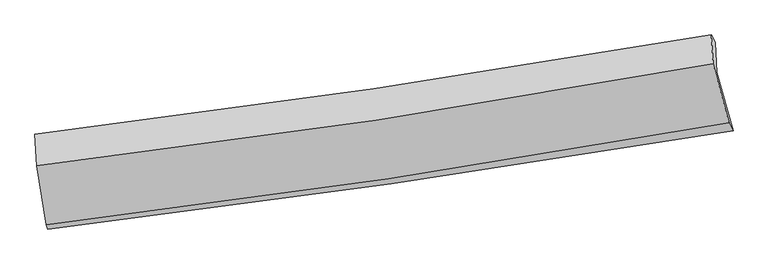
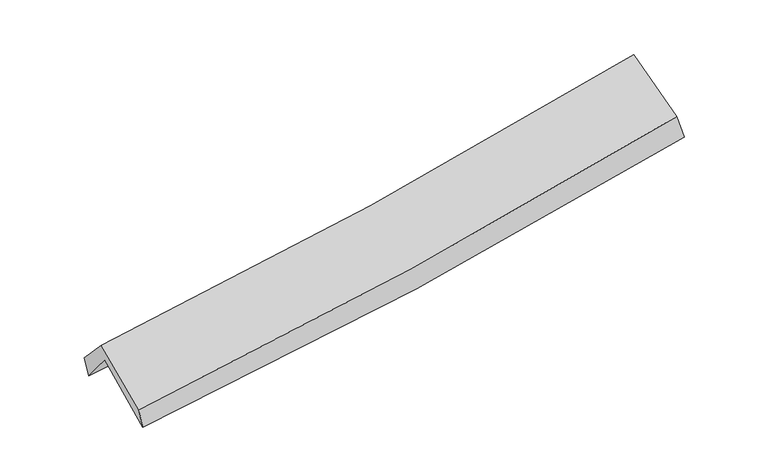
"""IFC4 building model written with IfcOpenShell, lengths in millimetres: proxy geometry."""

from ifc_helpers import new_model, si_unit, frame, origin, place, context, project, spatial, source, transform, mapped, element, save
from ifc_brep_helpers import plane_surface, spline_curve, spline_surface, advanced_brep


def generic_models_e22681ce(model_context):
    return source(origin(), model_context, "Body", "AdvancedBrep", [
        advanced_brep(
        [(-2887.4343776, -2516.3614585, 1468.6054433), (-2972.0966526, -2006.1439696, 1906.1448978), (2907.1313873, -1156.2342057, 2390.9478763), (3050.0944314, -1665.8328193, 1958.1538704), (-2982.4600275, -1748.6307493, 1579.1584145), (2896.0923285, -899.8670704, 2076.6976301), (-2998.5481738, -1695.9709087, 1748.7201258), (2861.6165881, -834.576695, 2273.3434704), (-2984.3798113, -1968.669151, 2040.9308067), (2876.8971987, -1086.3339994, 2543.1467054), (-2901.7218664, -2478.5878423, 1636.7323878), (3015.7415111, -1597.5468632, 2148.9275236)],
        [
            (0, 1),
            (1, 2, spline_curve(3, [(-2972.0966526, -2006.1439696, 1906.1448978), (-1986.618258909, -1889.503253088, 1951.068244256), (-1004.304748594, -1760.418904001, 2013.886879829), (955.447343129, -1477.152654876, 2175.434654744), (1932.876512835, -1322.933749448, 2274.217012078), (2907.1313873, -1156.2342057, 2390.9478763)], [4, 2, 4], [0.0, 9.820087006476351, 19.654764895858943])),
            (2, 3),
            (3, 0, spline_curve(3, [(3050.0944314, -1665.8328193, 1958.1538704), (2066.136187075, -1830.312284173, 1840.430839616), (1078.993320396, -1983.473623816, 1740.756725917), (-900.192391946, -2266.949611558, 1577.62743231), (-1892.225794889, -2397.2978185, 1514.118737375), (-2887.4343776, -2516.3614585, 1468.6054433)], [4, 2, 4], [0.0, 9.834677889382592, 19.654764895858943])),
            (1, 4),
            (4, 5, spline_curve(3, [(-2982.4600275, -1748.6307493, 1579.1584145), (-1996.174640175, -1636.082221078, 1623.571772965), (-1013.513557266, -1509.140850214, 1687.195002767), (946.014672816, -1226.262425967, 1852.984280522), (1922.871041851, -1070.282570425, 1955.207456048), (2896.0923285, -899.8670704, 2076.6976301)], [4, 2, 4], [0.0, 9.77311929086947, 19.560759679068095])),
            (5, 2),
            (4, 6),
            (6, 7, spline_curve(3, [(-2998.5481738, -1695.9709087, 1748.7201258), (-2016.503002746, -1575.681660566, 1805.149142914), (-1037.493627044, -1443.816073963, 1877.038322808), (915.903655031, -1156.719095938, 2051.866795004), (1890.282533336, -1001.453277477, 2154.852062929), (2861.6165881, -834.576695, 2273.3434704)], [4, 2, 4], [0.0, 9.761480779757134, 19.537465364109384])),
            (7, 5),
            (6, 8),
            (8, 9, spline_curve(3, [(-2984.3798113, -1968.669151, 2040.9308067), (-2001.733492622, -1851.757838828, 2101.143205989), (-1022.330770117, -1719.839985813, 2173.060965639), (931.437879192, -1425.772895967, 2340.431455277), (1905.794159934, -1263.579031594, 2435.918995066), (2876.8971987, -1086.3339994, 2543.1467054)], [4, 2, 4], [0.0, 9.751207230846113, 19.516903001641612])),
            (9, 7),
            (8, 10),
            (10, 11, spline_curve(3, [(-2901.7218664, -2478.5878423, 1636.7323878), (-1909.094279676, -2361.364578453, 1694.757361473), (-920.021970588, -2229.39832184, 1766.410965561), (1052.476395029, -1935.761838804, 1937.102148099), (2035.891877974, -1774.047769153, 2036.180256146), (3015.7415111, -1597.5468632, 2148.9275236)], [4, 2, 4], [0.0, 9.7991002566447, 19.612760213660376])),
            (11, 9),
            (10, 0),
            (3, 11),
        ],
        [
            spline_surface(3, 3, [[(-2887.4343776, -2516.3614585, 1468.6054433), (-1892.225794919, -2397.29781836, 1514.118737232), (-900.192391861, -2266.9496116, 1577.627432393), (1078.99332031, -1983.473623774, 1740.756725834), (2066.136186912, -1830.312284156, 1840.430839718), (3050.0944314, -1665.8328193, 1958.1538704)], [(-2915.655135921, -2346.288962199, 1614.451928149), (-1923.689949552, -2228.032963317, 1659.768572959), (-934.896510783, -2098.106042433, 1723.047248191), (1037.81132795, -1814.699967497, 1885.649368804), (2021.716295609, -1661.186105929, 1985.026230552), (3002.440083383, -1495.966614781, 2102.418539048)], [(-2943.875894279, -2176.216465901, 1760.298412951), (-1955.154104222, -2058.768108275, 1805.41840864), (-969.600629739, -1929.262473184, 1868.467064009), (996.629335556, -1645.926311137, 2030.542011795), (1977.296404258, -1492.05992766, 2129.62162134), (2954.785735317, -1326.100410219, 2246.683207652)], [(-2972.0966526, -2006.1439696, 1906.1448978), (-1986.618258854, -1889.503253232, 1951.068244368), (-1004.30474866, -1760.418904017, 2013.886879807), (955.447343195, -1477.152654859, 2175.434654766), (1932.876512955, -1322.933749434, 2274.217012174), (2907.1313873, -1156.2342057, 2390.9478763)]], [4, 4], [4, 2, 4], [0.0, 2.2228974580683842], [0.0, 9.820087006476351, 19.654764895858943]),
            spline_surface(3, 3, [[(-2972.0966526, -2006.1439696, 1906.1448978), (-1986.618258854, -1889.503253232, 1951.068244368), (-1004.30474866, -1760.418904017, 2013.886879807), (955.447343195, -1477.152654859, 2175.434654766), (1932.876512955, -1322.933749434, 2274.217012174), (2907.1313873, -1156.2342057, 2390.9478763)], [(-2975.55111091, -1920.306229489, 1797.149403361), (-1989.803719348, -1805.029575835, 1841.902753844), (-1007.374351542, -1676.659552735, 1904.989587432), (952.303119734, -1393.522578578, 2067.951196725), (1929.541355886, -1238.71668982, 2167.880493443), (2903.451701004, -1070.778493938, 2286.197794235)], [(-2979.00556919, -1834.468489411, 1688.153908939), (-1992.989179811, -1720.55589847, 1732.737263337), (-1010.443954402, -1592.900201451, 1796.092295038), (949.158896294, -1309.892502294, 1960.467738667), (1926.206198906, -1154.499630193, 2061.543974708), (2899.772014796, -985.322782162, 2181.447712165)], [(-2982.4600275, -1748.6307493, 1579.1584145), (-1996.174640305, -1636.082221073, 1623.571772813), (-1013.513557284, -1509.140850169, 1687.195002663), (946.014672833, -1226.262426013, 1852.984280627), (1922.871041838, -1070.282570579, 1955.207455977), (2896.0923285, -899.8670704, 2076.6976301)]], [4, 4], [4, 2, 4], [0.0, 1.346641317824218], [0.0, 9.77311929086947, 19.560759679068095]),
            spline_surface(3, 3, [[(-2982.4600275, -1748.6307493, 1579.1584145), (-1996.174640305, -1636.082221073, 1623.571772813), (-1013.513557284, -1509.140850169, 1687.195002663), (946.014672833, -1226.262426013, 1852.984280627), (1922.871041838, -1070.282570579, 1955.207455977), (2896.0923285, -899.8670704, 2076.6976301)], [(-2987.822742946, -1731.077469092, 1635.678984942), (-2002.950761117, -1615.948700881, 1684.097562807), (-1021.506913844, -1487.36592478, 1750.476109409), (935.977666891, -1203.081315918, 1919.278452052), (1912.008205641, -1047.339472925, 2021.755658308), (2884.600415045, -878.103611927, 2142.246243517)], [(-2993.185458354, -1713.524188908, 1692.199555358), (-2009.72688189, -1595.815180713, 1744.623352776), (-1029.500270431, -1465.590999477, 1813.757216159), (925.940660922, -1179.900205908, 1985.572623482), (1901.14536941, -1024.396375291, 2088.303860689), (2873.108501555, -856.340153473, 2207.794856983)], [(-2998.5481738, -1695.9709087, 1748.7201258), (-2016.503002703, -1575.681660521, 1805.14914277), (-1037.493626992, -1443.816074089, 1877.038322905), (915.90365498, -1156.719095812, 2051.866794907), (1890.282533213, -1001.453277636, 2154.85206302), (2861.6165881, -834.576695, 2273.3434704)]], [4, 4], [4, 2, 4], [0.0, 0.6807962601509532], [0.0, 9.761480779757134, 19.537465364109384]),
            spline_surface(3, 3, [[(-2998.5481738, -1695.9709087, 1748.7201258), (-2016.503002703, -1575.681660521, 1805.14914277), (-1037.493626992, -1443.816074089, 1877.038322905), (915.90365498, -1156.719095812, 2051.866794907), (1890.282533213, -1001.453277636, 2154.85206302), (2861.6165881, -834.576695, 2273.3434704)], [(-2993.825386278, -1786.870322819, 1846.1236861), (-2011.579832655, -1667.707053281, 1903.813830464), (-1032.439341378, -1535.824044717, 1975.712537137), (921.081729703, -1246.403695856, 2148.055014999), (1895.45307549, -1088.828528927, 2248.541040366), (2866.710124982, -918.495796466, 2363.277882072)], [(-2989.102598822, -1877.769736881, 1943.5272464), (-2006.656662674, -1759.732445984, 2002.478518158), (-1027.385055727, -1627.832015277, 2074.386751434), (926.259804464, -1336.088295831, 2244.243235158), (1900.623617721, -1176.203780221, 2342.230017697), (2871.803661818, -1002.414897934, 2453.212293728)], [(-2984.3798113, -1968.669151, 2040.9308067), (-2001.733492625, -1851.757838744, 2101.143205852), (-1022.330770112, -1719.839985904, 2173.060965665), (931.437879187, -1425.772895875, 2340.43145525), (1905.794159999, -1263.579031512, 2435.918995043), (2876.8971987, -1086.3339994, 2543.1467054)]], [4, 4], [4, 2, 4], [0.0, 1.3121002463613503], [0.0, 9.751207230846113, 19.516903001641612]),
            spline_surface(3, 3, [[(-2984.3798113, -1968.669151, 2040.9308067), (-2001.733492625, -1851.757838744, 2101.143205852), (-1022.330770112, -1719.839985904, 2173.060965665), (931.437879187, -1425.772895875, 2340.43145525), (1905.794159999, -1263.579031512, 2435.918995043), (2876.8971987, -1086.3339994, 2543.1467054)], [(-2956.827163019, -2138.642048106, 1906.198000376), (-1970.853755043, -2021.626752005, 1965.681257748), (-988.227836888, -1889.692764526, 2037.510965649), (971.784051098, -1595.769210185, 2205.988352866), (1949.160065989, -1433.7352774, 2302.672748705), (2923.178636147, -1256.738287321, 2411.740311481)], [(-2929.274514681, -2308.614945194, 1771.465194124), (-1939.974017404, -2191.495665249, 1830.219309715), (-954.124903683, -2059.545543183, 1901.960965606), (1012.130222988, -1765.765524529, 2071.545250454), (1992.525972039, -1603.891523325, 2169.426502323), (2969.460073653, -1427.142575279, 2280.333917519)], [(-2901.7218664, -2478.5878423, 1636.7323878), (-1909.094279821, -2361.36457851, 1694.75736161), (-920.021970459, -2229.398321805, 1766.410965591), (1052.476394899, -1935.761838839, 1937.102148069), (2035.891878029, -1774.047769213, 2036.180255985), (3015.7415111, -1597.5468632, 2148.9275236)]], [4, 4], [4, 2, 4], [0.0, 2.16723805903078], [0.0, 9.7991002566447, 19.612760213660376]),
            spline_surface(3, 3, [[(-2901.7218664, -2478.5878423, 1636.7323878), (-1909.094279821, -2361.36457851, 1694.75736161), (-920.021970459, -2229.398321805, 1766.410965591), (1052.476394899, -1935.761838839, 1937.102148069), (2035.891878029, -1774.047769213, 2036.180255985), (3015.7415111, -1597.5468632, 2148.9275236)], [(-2896.959370127, -2491.179047695, 1580.690072973), (-1903.471451514, -2373.342325121, 1634.544486824), (-913.412110934, -2241.915418392, 1703.483121207), (1061.315370028, -1951.66576714, 1871.653674006), (2045.97331433, -1792.802607528, 1970.930450544), (3027.19248454, -1620.308848568, 2085.336305847)], [(-2892.196873873, -2503.770253105, 1524.647758127), (-1897.848623227, -2385.320071748, 1574.331612018), (-906.802251386, -2254.432515013, 1640.555276777), (1070.154345181, -1967.569695474, 1806.205199897), (2056.054750612, -1811.55744584, 1905.68064516), (3038.64345796, -1643.070833932, 2021.745088153)], [(-2887.4343776, -2516.3614585, 1468.6054433), (-1892.225794919, -2397.29781836, 1514.118737232), (-900.192391861, -2266.9496116, 1577.627432393), (1078.99332031, -1983.473623774, 1740.756725834), (2066.136186912, -1830.312284156, 1840.430839718), (3050.0944314, -1665.8328193, 1958.1538704)]], [4, 4], [4, 2, 4], [0.0, 0.6515467077594674], [0.0, 9.856236466060524, 19.72711752662186]),
            plane_surface(frame((2934.5955742, -1206.7319422, 2231.8695127), z_axis=(0.9774313044354463, 0.17920634388876552, 0.11186210895403072), x_axis=(0.21026759603578676, -0.7741872757568906, -0.5970105527655734))),
            plane_surface(frame((-2954.4401515, -2069.0606799, 1730.0486793), z_axis=(-0.9917154825496034, -0.11431185165694983, -0.05859353413275946), x_axis=(-0.08262993141169143, 0.21845905559447176, 0.9723414706077648))),
        ],
        [
            (0, [[1, 2, 3, 4]]),
            (1, [[5, 6, 7, -2]]),
            (2, [[8, 9, 10, -6]]),
            (3, [[11, 12, 13, -9]]),
            (4, [[14, 15, 16, -12]]),
            (5, [[17, -4, 18, -15]]),
            (6, [[-16, -18, -3, -7, -10, -13]]),
            (7, [[-17, -14, -11, -8, -5, -1]]),
        ],
    ),
    ])


if __name__ == "__main__":
    model = new_model("IFC4")
    model_context = context("Model", 3, world=origin())
    ifc_project = project(units=[si_unit("LENGTHUNIT", "METRE", prefix="MILLI")], contexts=[model_context])
    site = spatial("IfcSite", under=ifc_project)
    building = spatial("IfcBuilding", under=site)
    placement = place(None, origin())
    generic_models_shape = generic_models_e22681ce(model_context)
    element("IfcBuildingElementProxy", 1, Name="Generic Models", at=placement, inside=building, context=model_context, shape_type="MappedRepresentation", body=[
        mapped(generic_models_shape, transform((0.0, 0.0, 0.0), x_axis=(1.0, 0.0, 0.0), y_axis=(0.0, 1.0, 0.0), z_axis=(0.0, 0.0, 1.0))),
    ])
    save(model, "model.ifc")
